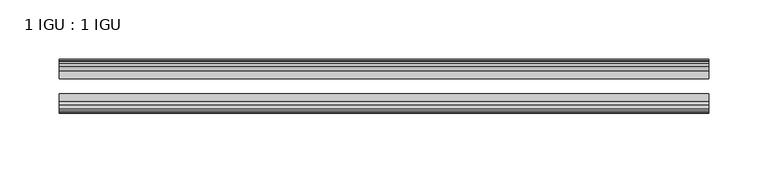
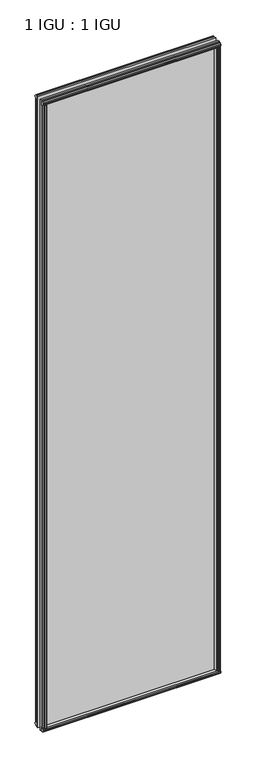
"""IFC4 building model written with IfcOpenShell, lengths in millimetres: plate geometry, 1 IGU : 1 IGU."""

import ifcopenshell
import ifcopenshell.guid

model = None  # the IFC model being written
_history = None  # IfcOwnerHistory: only IFC2X3 demands one
_inside = {}  # id of a spatial element -> (the spatial element, [elements in it])
_under = {}  # id of a project, library or spatial element -> (it, [spatial elements below it])
_declared = {}  # id of a project -> (the project, [libraries it declares])
_typed = {}  # id of a type object -> (the type object, [elements of that type])
_made_of = {}  # id of a material, layer set ... -> (it, [elements and type objects made of it])


def new_model(schema):
    """Start an empty IFC model of exactly this schema.

    Asked for "IFC4X3", IfcOpenShell would pick the latest addendum, in which some entities
    have other attributes; the version numbers below select the first issue.
    IFC2X3 requires an IfcOwnerHistory on every rooted entity: one is made here for all.
    """
    global model, _history
    if schema == "IFC4X3":
        model = ifcopenshell.file(schema_version=(4, 3, 0, 0))
    else:
        model = ifcopenshell.file(schema=schema)
    _inside.clear()
    _under.clear()
    _declared.clear()
    _typed.clear()
    _made_of.clear()
    _history = None
    if model.schema == "IFC2X3":
        org = make("IfcOrganization", Name="unknown")
        user = make(
            "IfcPersonAndOrganization",
            ThePerson=make("IfcPerson", FamilyName="unknown"),
            TheOrganization=org,
        )
        app = make(
            "IfcApplication",
            ApplicationDeveloper=org,
            Version="unknown",
            ApplicationFullName="unknown",
            ApplicationIdentifier="unknown",
        )
        _history = make(
            "IfcOwnerHistory",
            OwningUser=user,
            OwningApplication=app,
            ChangeAction="ADDED",
            CreationDate=0,
        )
    return model


def make(cls, **values):
    """One entity of the class cls with the attributes given. An attribute that is None is left unset."""
    return model.create_entity(
        cls, **{name: value for name, value in values.items() if value is not None}
    )


def rooted(cls, **values):
    """An entity with a GlobalId (a new one), such as an element, a storey or a relation."""
    return make(cls, GlobalId=ifcopenshell.guid.new(), OwnerHistory=_history, **values)


def si_unit(unit_type, name, prefix=None):
    """IfcSIUnit, for example si_unit("LENGTHUNIT", "METRE", prefix="MILLI")."""
    return make("IfcSIUnit", UnitType=unit_type, Prefix=prefix, Name=name)


def assignment(units):
    """IfcUnitAssignment: the units of a project."""
    return None if units is None else make("IfcUnitAssignment", Units=units)


def point(xyz):
    """IfcCartesianPoint."""
    return None if xyz is None else make("IfcCartesianPoint", Coordinates=xyz)


def direction(xyz):
    """IfcDirection."""
    return None if xyz is None else make("IfcDirection", DirectionRatios=xyz)


def frame(location, z_axis=None, x_axis=None):
    """IfcAxis2Placement3D, a coordinate frame: its origin and axes. An axis left out is left unset."""
    return make(
        "IfcAxis2Placement3D",
        Location=point(location),
        Axis=direction(z_axis),
        RefDirection=direction(x_axis),
    )


def origin():
    """The frame at (0, 0, 0) with its axes left unset."""
    return frame((0.0, 0.0, 0.0))


def origin_with_axes():
    """The frame at (0, 0, 0) with the z axis (0, 0, 1) and the x axis (1, 0, 0) written out."""
    return frame((0.0, 0.0, 0.0), z_axis=(0.0, 0.0, 1.0), x_axis=(1.0, 0.0, 0.0))


def place(relative_to, where):
    """IfcLocalPlacement: puts the frame where relative to a parent placement (None: the world)."""
    return make(
        "IfcLocalPlacement", PlacementRelTo=relative_to, RelativePlacement=where
    )


def context(
    kind, dimensions, precision=None, world=None, true_north=None, identifier=None
):
    """IfcGeometricRepresentationContext, for example the 3D "Model" context."""
    return make(
        "IfcGeometricRepresentationContext",
        ContextIdentifier=identifier,
        ContextType=kind,
        CoordinateSpaceDimension=dimensions,
        Precision=precision,
        WorldCoordinateSystem=world,
        TrueNorth=true_north,
    )


def project(units=None, contexts=None):
    """IfcProject with its units and contexts."""
    return rooted(
        "IfcProject",
        Name="project",
        RepresentationContexts=contexts,
        UnitsInContext=assignment(units),
    )


def spatial(cls, under=None, at=None, **own):
    """A site, building, storey or space (cls), placed at a placement, below another one or the project."""
    s = rooted(cls, ObjectPlacement=at, **own)
    if under is not None:
        _under.setdefault(under.id(), (under, []))[1].append(s)
    return s


def polyline(points):
    """IfcPolyline through the points."""
    return make("IfcPolyline", Points=[point(p) for p in points])


def outline(outer, holes=None, kind="AREA"):
    """IfcArbitraryClosedProfileDef: a profile drawn as a closed curve; with holes, ...WithVoids."""
    if holes is None:
        return make("IfcArbitraryClosedProfileDef", ProfileType=kind, OuterCurve=outer)
    return make(
        "IfcArbitraryProfileDefWithVoids",
        ProfileType=kind,
        OuterCurve=outer,
        InnerCurves=holes,
    )


def extrude(swept, where, along, depth):
    """IfcExtrudedAreaSolid: the profile swept, set in the frame where, extruded along a direction by depth."""
    return make(
        "IfcExtrudedAreaSolid",
        SweptArea=swept,
        Position=where,
        ExtrudedDirection=direction(along),
        Depth=depth,
    )


def shape(context_of_items, identifier, shape_type, items):
    """IfcShapeRepresentation: the items that make up one representation, for example the "Body"."""
    return make(
        "IfcShapeRepresentation",
        ContextOfItems=context_of_items,
        RepresentationIdentifier=identifier,
        RepresentationType=shape_type,
        Items=items,
    )


def source(mapping_origin, context_of_items, identifier, shape_type, items):
    """IfcRepresentationMap: a shape defined once, which mapped items show again and again."""
    return make(
        "IfcRepresentationMap",
        MappingOrigin=mapping_origin,
        MappedRepresentation=shape(context_of_items, identifier, shape_type, items),
    )


def transform(
    local_origin,
    x_axis=None,
    y_axis=None,
    z_axis=None,
    scale=None,
    scale2=None,
    scale3=None,
    uniform=True,
):
    """IfcCartesianTransformationOperator3D, or its non-uniform kind. x_axis, y_axis, z_axis: its Axis1, 2, 3."""
    if uniform:
        return make(
            "IfcCartesianTransformationOperator3D",
            Axis1=direction(x_axis),
            Axis2=direction(y_axis),
            LocalOrigin=point(local_origin),
            Scale=scale,
            Axis3=direction(z_axis),
        )
    return make(
        "IfcCartesianTransformationOperator3DnonUniform",
        Axis1=direction(x_axis),
        Axis2=direction(y_axis),
        LocalOrigin=point(local_origin),
        Scale=scale,
        Axis3=direction(z_axis),
        Scale2=scale2,
        Scale3=scale3,
    )


def mapped(mapping_source, mapping_target):
    """IfcMappedItem: shows the shape of a source again, moved by a transform."""
    return make(
        "IfcMappedItem", MappingSource=mapping_source, MappingTarget=mapping_target
    )


def made_of(thing, what):
    """Note that an element or type object is made of a material, layer set ...; save() writes the relation."""
    if what is not None:
        _made_of.setdefault(what.id(), (what, []))[1].append(thing)
    return thing


def element(
    cls,
    number,
    at=None,
    inside=None,
    cuts=None,
    type_object=None,
    material=None,
    context=None,
    identifier="Body",
    shape_type=None,
    held_by="IfcProductDefinitionShape",
    body=None,
    shapes=None,
    **own,
):
    """One element of the class cls, such as IfcWall. Its Tag is "e" and its number.

    at: its placement. inside: the storey or other place that contains it. cuts: it is an
    opening in that element (IfcRelVoidsElement). A single representation is given by context,
    identifier, shape_type and body (its items); several are given by shapes. held_by: the class
    of the entity that holds the representations. save() writes the other relations.
    """
    e = rooted(cls, Tag="e%d" % number, ObjectPlacement=at, **own)
    if body is not None:
        shapes = [shape(context, identifier, shape_type, body)]
    if shapes is not None:
        e.Representation = make(held_by, Representations=shapes)
    if inside is not None:
        _inside.setdefault(inside.id(), (inside, []))[1].append(e)
    if cuts is not None:
        rooted(
            "IfcRelVoidsElement", RelatingBuildingElement=cuts, RelatedOpeningElement=e
        )
    if type_object is not None:
        _typed.setdefault(type_object.id(), (type_object, []))[1].append(e)
    return made_of(e, material)


def aggregate(whole, parts):
    """IfcRelAggregates: a whole, such as a stair, and the parts it consists of."""
    return rooted("IfcRelAggregates", RelatingObject=whole, RelatedObjects=parts)


def save(model, path):
    """Write the relations noted so far, then the file.

    IfcRelAggregates (storeys below a building ...), IfcRelContainedInSpatialStructure (elements
    in a storey), IfcRelDefinesByType, IfcRelAssociatesMaterial and IfcRelDeclares: one each for
    every whole, place, type object, material and project.
    """
    for whole, parts in _under.values():
        aggregate(whole, parts)
    for where, things in _inside.values():
        rooted(
            "IfcRelContainedInSpatialStructure",
            RelatedElements=things,
            RelatingStructure=where,
        )
    for kind, things in _typed.values():
        rooted("IfcRelDefinesByType", RelatedObjects=things, RelatingType=kind)
    for what, things in _made_of.values():
        rooted("IfcRelAssociatesMaterial", RelatedObjects=things, RelatingMaterial=what)
    for by, libraries in _declared.values():
        rooted("IfcRelDeclares", RelatingContext=by, RelatedDefinitions=libraries)
    model.write(path)


def plate_1_igu_1_igu_9772784b(model_context):
    return source(origin(), model_context, "Body", "SweptSolid", [
        extrude(outline(polyline([(258.7705472, -19.5460937), (260.8758243, -13.1960937), (266.0830187, -13.1960937), (266.4640187, -10.8158968), (265.0484897, -11.27583), (265.0484897, -10.4746158), (267.2260187, -9.7670937), (269.4035478, -10.4746158), (269.4035478, -11.27583), (267.9880187, -10.8158968), (268.3690187, -13.1960937), (272.8140187, -13.1960937), (272.8140187, -16.1419073), (270.6009412, -19.5460937), (258.7705472, -19.5460937)])), origin_with_axes(), (0.0, 0.0, 1.0), 2019.3),
        extrude(outline(polyline([(-258.7705472, -19.5460937), (-270.6009412, -19.5460937), (-272.8140187, -16.1419073), (-272.8140187, -13.1960937), (-268.3690187, -13.1960937), (-267.9880187, -10.8158968), (-269.4035478, -11.27583), (-269.4035478, -10.4746158), (-267.2260187, -9.7670937), (-265.0484897, -10.4746158), (-265.0484897, -11.27583), (-266.4640187, -10.8158968), (-266.0830187, -13.1960937), (-260.8758243, -13.1960937), (-258.7705472, -19.5460937)])), origin_with_axes(), (0.0, 0.0, 1.0), 2019.3),
        extrude(outline(polyline([(-16.1419073, -12.4576852), (-19.5460937, -10.2446077), (-19.5460937, 1.5857863), (-13.1960937, -0.5194908), (-13.1960937, -5.7266852), (-10.8158968, -6.1076852), (-11.27583, -4.6921562), (-10.4746158, -4.6921562), (-9.7670937, -6.8696852), (-10.4746158, -9.0472143), (-11.27583, -9.0472143), (-10.8158968, -7.6316852), (-13.1960937, -8.0126852), (-13.1960937, -12.4576852), (-16.1419073, -12.4576852)])), frame((-273.0563335, 0.0, 0.0), z_axis=(1.0, 0.0, 0.0), x_axis=(0.0, 1.0, 0.0)), (0.0, 0.0, 1.0), 546.112667),
        extrude(outline(polyline([(-48.3502802, -11.938), (-51.2960937, -11.938), (-51.2960937, -7.493), (-53.6762907, -7.112), (-53.2163575, -8.5275291), (-54.0175717, -8.5275291), (-54.7250937, -6.35), (-54.0175717, -4.172471), (-53.2163575, -4.172471), (-53.6762907, -5.588), (-51.2960937, -5.207), (-51.2960937, 0.0001944), (-44.9460937, 2.1054715), (-44.9460937, -9.7249225), (-48.3502802, -11.938)])), frame((-273.0563335, 0.0, 0.0), z_axis=(1.0, 0.0, 0.0), x_axis=(0.0, 1.0, 0.0)), (0.0, 0.0, 1.0), 546.112667),
        extrude(outline(polyline([(-16.1028367, 2031.7576852), (-13.1960937, 2031.7576852), (-13.1960937, 2027.3126852), (-10.8158968, 2026.9316852), (-11.27583, 2028.3472143), (-10.4746158, 2028.3472143), (-9.7670937, 2026.1696852), (-10.4746158, 2023.9921562), (-11.27583, 2023.9921562), (-10.8158968, 2025.4076852), (-13.1960937, 2025.0266852), (-13.1960937, 2019.7940908), (-19.5460937, 2017.6888137), (-19.5460937, 2029.5192077), (-16.1028367, 2031.7576852)])), frame((-273.0563335, 0.0, 0.0), z_axis=(1.0, 0.0, 0.0), x_axis=(0.0, 1.0, 0.0)), (0.0, 0.0, 1.0), 546.112667),
        extrude(outline(polyline([(-48.3893508, 2031.2126), (-44.9460937, 2028.9741225), (-44.9460937, 2017.1437285), (-51.2960937, 2019.2490056), (-51.2960937, 2024.4816), (-53.6762907, 2024.8626), (-53.2163575, 2023.4470709), (-54.0175717, 2023.4470709), (-54.7250938, 2025.6246), (-54.0175717, 2027.802129), (-53.2163575, 2027.802129), (-53.6762907, 2026.3866), (-51.2960937, 2026.7676), (-51.2960937, 2031.2126), (-48.3893508, 2031.2126)])), frame((-273.0563335, 0.0, 0.0), z_axis=(1.0, 0.0, 0.0), x_axis=(0.0, 1.0, 0.0)), (0.0, 0.0, 1.0), 546.112667),
        extrude(outline(polyline([(-258.250862, -44.9460938), (-260.3561391, -51.2960938), (-265.5633335, -51.2960938), (-265.9443335, -53.6762907), (-264.5288044, -53.2163575), (-264.5288044, -54.0175717), (-266.7063335, -54.7250938), (-268.8838625, -54.0175717), (-268.8838625, -53.2163575), (-267.4683335, -53.6762907), (-267.8493335, -51.2960938), (-272.2943335, -51.2960938), (-272.2943335, -48.3502802), (-270.081256, -44.9460938), (-258.250862, -44.9460938)])), origin_with_axes(), (0.0, 0.0, 1.0), 2019.3),
        extrude(outline(polyline([(258.250862, -44.9460938), (270.081256, -44.9460938), (272.2943335, -48.3502802), (272.2943335, -51.2960938), (267.8493335, -51.2960938), (267.4683335, -53.6762907), (268.8838625, -53.2163575), (268.8838625, -54.0175717), (266.7063335, -54.7250938), (264.5288044, -54.0175717), (264.5288044, -53.2163575), (265.9443335, -53.6762907), (265.5633335, -51.2960938), (260.3561391, -51.2960938), (258.250862, -44.9460938)])), origin_with_axes(), (0.0, 0.0, 1.0), 2019.3),
        extrude(outline(polyline([(273.0563335, -19.5460937), (273.0563335, -25.8337453), (-273.0563335, -25.8337453), (-273.0563335, -19.5460937), (273.0563335, -19.5460937)])), frame((0.0, 0.0, -12.7), z_axis=(0.0, 0.0, 1.0), x_axis=(1.0, 0.0, 0.0)), (0.0, 0.0, 1.0), 2044.6872998),
        extrude(outline(polyline([(-273.0563335, -44.9460937), (-273.0563335, -38.6468938), (273.0563335, -38.6468938), (273.0563335, -44.9460937), (-273.0563335, -44.9460937)])), frame((0.0, 0.0, -12.7), z_axis=(0.0, 0.0, 1.0), x_axis=(1.0, 0.0, 0.0)), (0.0, 0.0, 1.0), 2044.6872998),
    ])


if __name__ == "__main__":
    model = new_model("IFC4")
    model_context = context("Model", 3, world=origin())
    ifc_project = project(units=[si_unit("LENGTHUNIT", "METRE", prefix="MILLI")], contexts=[model_context])
    site = spatial("IfcSite", under=ifc_project)
    building = spatial("IfcBuilding", under=site)
    placement = place(None, origin())
    plate_1_igu_1_igu_shape = plate_1_igu_1_igu_9772784b(model_context)
    element("IfcPlate", 1, ObjectType="1 IGU : 1 IGU", at=placement, inside=building, context=model_context, shape_type="MappedRepresentation", body=[
        mapped(plate_1_igu_1_igu_shape, transform((0.0, 0.0, 0.0), x_axis=(1.0, 0.0, 0.0), y_axis=(0.0, 1.0, 0.0), z_axis=(0.0, 0.0, 1.0))),
    ])
    save(model, "model.ifc")
